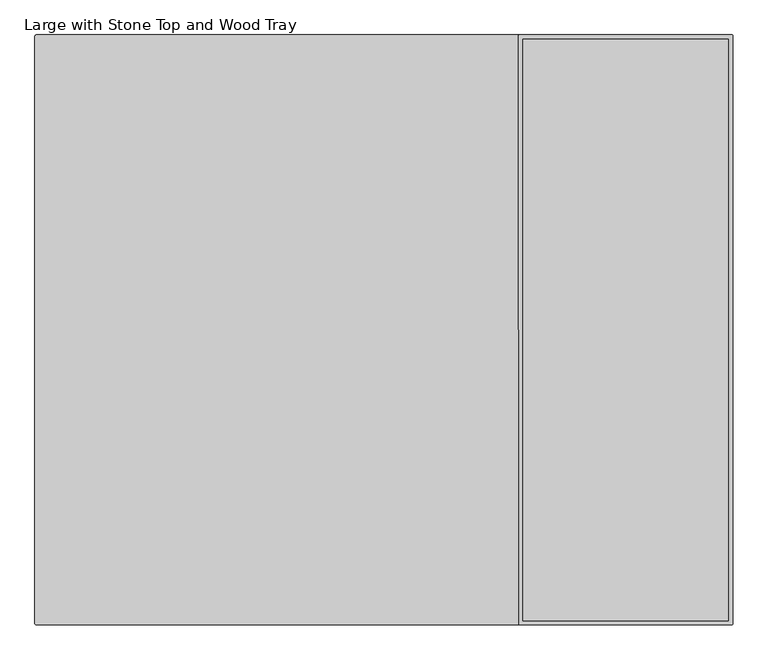
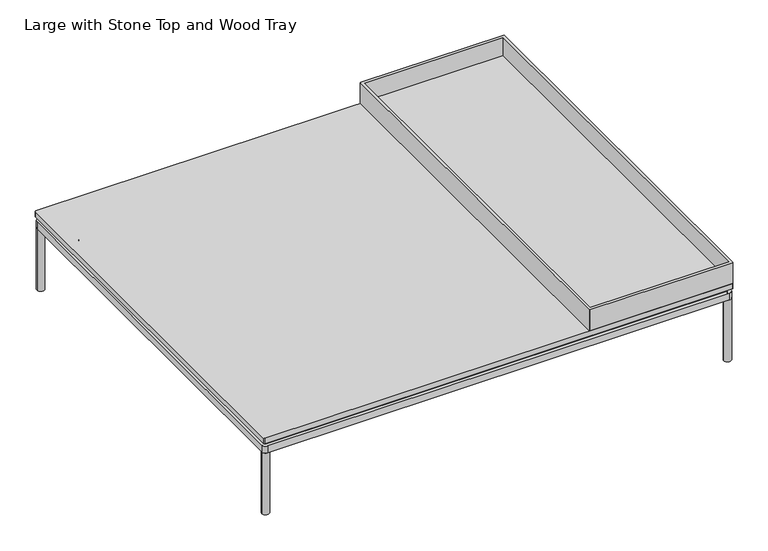
"""IFC4 building model written with IfcOpenShell, lengths in millimetres: furniture geometry, Large with Stone Top and Wood Tray."""

import ifcopenshell
import ifcopenshell.guid

model = None  # the IFC model being written
_history = None  # IfcOwnerHistory: only IFC2X3 demands one
_inside = {}  # id of a spatial element -> (the spatial element, [elements in it])
_under = {}  # id of a project, library or spatial element -> (it, [spatial elements below it])
_declared = {}  # id of a project -> (the project, [libraries it declares])
_typed = {}  # id of a type object -> (the type object, [elements of that type])
_made_of = {}  # id of a material, layer set ... -> (it, [elements and type objects made of it])


def new_model(schema):
    """Start an empty IFC model of exactly this schema.

    Asked for "IFC4X3", IfcOpenShell would pick the latest addendum, in which some entities
    have other attributes; the version numbers below select the first issue.
    IFC2X3 requires an IfcOwnerHistory on every rooted entity: one is made here for all.
    """
    global model, _history
    if schema == "IFC4X3":
        model = ifcopenshell.file(schema_version=(4, 3, 0, 0))
    else:
        model = ifcopenshell.file(schema=schema)
    _inside.clear()
    _under.clear()
    _declared.clear()
    _typed.clear()
    _made_of.clear()
    _history = None
    if model.schema == "IFC2X3":
        org = make("IfcOrganization", Name="unknown")
        user = make(
            "IfcPersonAndOrganization",
            ThePerson=make("IfcPerson", FamilyName="unknown"),
            TheOrganization=org,
        )
        app = make(
            "IfcApplication",
            ApplicationDeveloper=org,
            Version="unknown",
            ApplicationFullName="unknown",
            ApplicationIdentifier="unknown",
        )
        _history = make(
            "IfcOwnerHistory",
            OwningUser=user,
            OwningApplication=app,
            ChangeAction="ADDED",
            CreationDate=0,
        )
    return model


def make(cls, **values):
    """One entity of the class cls with the attributes given. An attribute that is None is left unset."""
    return model.create_entity(
        cls, **{name: value for name, value in values.items() if value is not None}
    )


def rooted(cls, **values):
    """An entity with a GlobalId (a new one), such as an element, a storey or a relation."""
    return make(cls, GlobalId=ifcopenshell.guid.new(), OwnerHistory=_history, **values)


def si_unit(unit_type, name, prefix=None):
    """IfcSIUnit, for example si_unit("LENGTHUNIT", "METRE", prefix="MILLI")."""
    return make("IfcSIUnit", UnitType=unit_type, Prefix=prefix, Name=name)


def assignment(units):
    """IfcUnitAssignment: the units of a project."""
    return None if units is None else make("IfcUnitAssignment", Units=units)


def point(xyz):
    """IfcCartesianPoint."""
    return None if xyz is None else make("IfcCartesianPoint", Coordinates=xyz)


def direction(xyz):
    """IfcDirection."""
    return None if xyz is None else make("IfcDirection", DirectionRatios=xyz)


def frame(location, z_axis=None, x_axis=None):
    """IfcAxis2Placement3D, a coordinate frame: its origin and axes. An axis left out is left unset."""
    return make(
        "IfcAxis2Placement3D",
        Location=point(location),
        Axis=direction(z_axis),
        RefDirection=direction(x_axis),
    )


def frame_2d(location, x_axis=None):
    """IfcAxis2Placement2D, a coordinate frame in the plane: its origin and x axis."""
    return make(
        "IfcAxis2Placement2D", Location=point(location), RefDirection=direction(x_axis)
    )


def origin():
    """The frame at (0, 0, 0) with its axes left unset."""
    return frame((0.0, 0.0, 0.0))


def origin_with_axes():
    """The frame at (0, 0, 0) with the z axis (0, 0, 1) and the x axis (1, 0, 0) written out."""
    return frame((0.0, 0.0, 0.0), z_axis=(0.0, 0.0, 1.0), x_axis=(1.0, 0.0, 0.0))


def place(relative_to, where):
    """IfcLocalPlacement: puts the frame where relative to a parent placement (None: the world)."""
    return make(
        "IfcLocalPlacement", PlacementRelTo=relative_to, RelativePlacement=where
    )


def context(
    kind, dimensions, precision=None, world=None, true_north=None, identifier=None
):
    """IfcGeometricRepresentationContext, for example the 3D "Model" context."""
    return make(
        "IfcGeometricRepresentationContext",
        ContextIdentifier=identifier,
        ContextType=kind,
        CoordinateSpaceDimension=dimensions,
        Precision=precision,
        WorldCoordinateSystem=world,
        TrueNorth=true_north,
    )


def project(units=None, contexts=None):
    """IfcProject with its units and contexts."""
    return rooted(
        "IfcProject",
        Name="project",
        RepresentationContexts=contexts,
        UnitsInContext=assignment(units),
    )


def spatial(cls, under=None, at=None, **own):
    """A site, building, storey or space (cls), placed at a placement, below another one or the project."""
    s = rooted(cls, ObjectPlacement=at, **own)
    if under is not None:
        _under.setdefault(under.id(), (under, []))[1].append(s)
    return s


def polyline(points):
    """IfcPolyline through the points."""
    return make("IfcPolyline", Points=[point(p) for p in points])


def circle_curve(where, radius):
    """IfcCircle in the frame where."""
    return make("IfcCircle", Position=where, Radius=radius)


def trimmed(basis, trim1, trim2, sense, master):
    """IfcTrimmedCurve: the piece of a basis curve between two trims."""
    return make(
        "IfcTrimmedCurve",
        BasisCurve=basis,
        Trim1=trim1,
        Trim2=trim2,
        SenseAgreement=sense,
        MasterRepresentation=master,
    )


def segment(curve, same_sense, transition):
    """IfcCompositeCurveSegment."""
    return make(
        "IfcCompositeCurveSegment",
        Transition=transition,
        SameSense=same_sense,
        ParentCurve=curve,
    )


def composite_curve(segments, self_intersect=None):
    """IfcCompositeCurve: segments joined end to end."""
    return make("IfcCompositeCurve", Segments=segments, SelfIntersect=self_intersect)


def outline(outer, holes=None, kind="AREA"):
    """IfcArbitraryClosedProfileDef: a profile drawn as a closed curve; with holes, ...WithVoids."""
    if holes is None:
        return make("IfcArbitraryClosedProfileDef", ProfileType=kind, OuterCurve=outer)
    return make(
        "IfcArbitraryProfileDefWithVoids",
        ProfileType=kind,
        OuterCurve=outer,
        InnerCurves=holes,
    )


def extrude(swept, where, along, depth):
    """IfcExtrudedAreaSolid: the profile swept, set in the frame where, extruded along a direction by depth."""
    return make(
        "IfcExtrudedAreaSolid",
        SweptArea=swept,
        Position=where,
        ExtrudedDirection=direction(along),
        Depth=depth,
    )


def faces_of(points, faces, orient=None, outer=None):
    """IfcFace entities. A face is a list of loops; a loop is a list of indices into points, from 0.

    orient and outer hold one flag for each loop. By default every Orientation is true, the
    first loop of a face is its IfcFaceOuterBound and the others are IfcFaceBound.
    """
    made = []
    for i, loops in enumerate(faces):
        bounds = []
        for j, loop in enumerate(loops):
            is_outer = j == 0 if outer is None else outer[i][j]
            bounds.append(
                make(
                    "IfcFaceOuterBound" if is_outer else "IfcFaceBound",
                    Bound=make("IfcPolyLoop", Polygon=[points[k] for k in loop]),
                    Orientation=True if orient is None else orient[i][j],
                )
            )
        made.append(make("IfcFace", Bounds=bounds))
    return made


def faceted_brep(points, faces, orient=None, outer=None, voids=None):
    """IfcFacetedBrep: a solid bounded by flat faces; with voids (closed shells), ...WithVoids."""
    shared = [point(p) for p in points]
    hull = make("IfcClosedShell", CfsFaces=faces_of(shared, faces, orient, outer))
    if voids is None:
        return make("IfcFacetedBrep", Outer=hull)
    return make(
        "IfcFacetedBrepWithVoids",
        Outer=hull,
        Voids=[
            make(cls, CfsFaces=faces_of(shared, fs, o, b)) for cls, fs, o, b in voids
        ],
    )


def shape(context_of_items, identifier, shape_type, items):
    """IfcShapeRepresentation: the items that make up one representation, for example the "Body"."""
    return make(
        "IfcShapeRepresentation",
        ContextOfItems=context_of_items,
        RepresentationIdentifier=identifier,
        RepresentationType=shape_type,
        Items=items,
    )


def source(mapping_origin, context_of_items, identifier, shape_type, items):
    """IfcRepresentationMap: a shape defined once, which mapped items show again and again."""
    return make(
        "IfcRepresentationMap",
        MappingOrigin=mapping_origin,
        MappedRepresentation=shape(context_of_items, identifier, shape_type, items),
    )


def transform(
    local_origin,
    x_axis=None,
    y_axis=None,
    z_axis=None,
    scale=None,
    scale2=None,
    scale3=None,
    uniform=True,
):
    """IfcCartesianTransformationOperator3D, or its non-uniform kind. x_axis, y_axis, z_axis: its Axis1, 2, 3."""
    if uniform:
        return make(
            "IfcCartesianTransformationOperator3D",
            Axis1=direction(x_axis),
            Axis2=direction(y_axis),
            LocalOrigin=point(local_origin),
            Scale=scale,
            Axis3=direction(z_axis),
        )
    return make(
        "IfcCartesianTransformationOperator3DnonUniform",
        Axis1=direction(x_axis),
        Axis2=direction(y_axis),
        LocalOrigin=point(local_origin),
        Scale=scale,
        Axis3=direction(z_axis),
        Scale2=scale2,
        Scale3=scale3,
    )


def mapped(mapping_source, mapping_target):
    """IfcMappedItem: shows the shape of a source again, moved by a transform."""
    return make(
        "IfcMappedItem", MappingSource=mapping_source, MappingTarget=mapping_target
    )


def made_of(thing, what):
    """Note that an element or type object is made of a material, layer set ...; save() writes the relation."""
    if what is not None:
        _made_of.setdefault(what.id(), (what, []))[1].append(thing)
    return thing


def element(
    cls,
    number,
    at=None,
    inside=None,
    cuts=None,
    type_object=None,
    material=None,
    context=None,
    identifier="Body",
    shape_type=None,
    held_by="IfcProductDefinitionShape",
    body=None,
    shapes=None,
    **own,
):
    """One element of the class cls, such as IfcWall. Its Tag is "e" and its number.

    at: its placement. inside: the storey or other place that contains it. cuts: it is an
    opening in that element (IfcRelVoidsElement). A single representation is given by context,
    identifier, shape_type and body (its items); several are given by shapes. held_by: the class
    of the entity that holds the representations. save() writes the other relations.
    """
    e = rooted(cls, Tag="e%d" % number, ObjectPlacement=at, **own)
    if body is not None:
        shapes = [shape(context, identifier, shape_type, body)]
    if shapes is not None:
        e.Representation = make(held_by, Representations=shapes)
    if inside is not None:
        _inside.setdefault(inside.id(), (inside, []))[1].append(e)
    if cuts is not None:
        rooted(
            "IfcRelVoidsElement", RelatingBuildingElement=cuts, RelatedOpeningElement=e
        )
    if type_object is not None:
        _typed.setdefault(type_object.id(), (type_object, []))[1].append(e)
    return made_of(e, material)


def aggregate(whole, parts):
    """IfcRelAggregates: a whole, such as a stair, and the parts it consists of."""
    return rooted("IfcRelAggregates", RelatingObject=whole, RelatedObjects=parts)


def save(model, path):
    """Write the relations noted so far, then the file.

    IfcRelAggregates (storeys below a building ...), IfcRelContainedInSpatialStructure (elements
    in a storey), IfcRelDefinesByType, IfcRelAssociatesMaterial and IfcRelDeclares: one each for
    every whole, place, type object, material and project.
    """
    for whole, parts in _under.values():
        aggregate(whole, parts)
    for where, things in _inside.values():
        rooted(
            "IfcRelContainedInSpatialStructure",
            RelatedElements=things,
            RelatingStructure=where,
        )
    for kind, things in _typed.values():
        rooted("IfcRelDefinesByType", RelatedObjects=things, RelatingType=kind)
    for what, things in _made_of.values():
        rooted("IfcRelAssociatesMaterial", RelatedObjects=things, RelatingMaterial=what)
    for by, libraries in _declared.values():
        rooted("IfcRelDeclares", RelatingContext=by, RelatedDefinitions=libraries)
    model.write(path)


def plane_surface(at):
    """IfcPlane: the flat surface through the origin of the frame at, square to its z axis."""
    return make("IfcPlane", Position=at)


def cylinder_surface(at, radius):
    """IfcCylindricalSurface: all points at the distance radius from the z axis of the frame at."""
    return make("IfcCylindricalSurface", Position=at, Radius=radius)


def advanced_brep(points, edges, surfaces, faces):
    """IfcAdvancedBrep: a solid bounded by faces that lie on surfaces and meet in shared edges.

    An edge is (start, end): straight between two places in points (the first is 0);
    or (start, end, curve); or (start, end, curve, False) where it runs against its curve.
    A face is (place in surfaces, loops), or (place, loops, False) where it looks against
    its surface's normal. A loop lists edges by number (the first is 1), with a minus sign
    where the edge is run from its end to its start. The first loop is the outer one.
    """
    corners = [point(p) for p in points]
    vertices = [make("IfcVertexPoint", VertexGeometry=c) for c in corners]
    made = []
    for start, end, *more in edges:
        made.append(
            make(
                "IfcEdgeCurve",
                EdgeStart=vertices[start],
                EdgeEnd=vertices[end],
                EdgeGeometry=more[0] if more else make("IfcPolyline", Points=[corners[start], corners[end]]),
                SameSense=more[1] if len(more) > 1 else True,
            )
        )
    hull = []
    for where, loops, *sense in faces:
        bounds = []
        for j, loop in enumerate(loops):
            ring = [make("IfcOrientedEdge", EdgeElement=made[abs(k) - 1], Orientation=k > 0) for k in loop]
            bounds.append(
                make(
                    "IfcFaceOuterBound" if j == 0 else "IfcFaceBound",
                    Bound=make("IfcEdgeLoop", EdgeList=ring),
                    Orientation=True,
                )
            )
        hull.append(make("IfcAdvancedFace", Bounds=bounds, FaceSurface=surfaces[where], SameSense=sense[0] if sense else True))
    return make("IfcAdvancedBrep", Outer=make("IfcClosedShell", CfsFaces=hull))


def large_with_stone_top_and_wood_tray_ebb3eda0(model_context):
    return source(origin(), model_context, "Body", "SolidModel", [
        faceted_brep([(104.0106049, 249.8139401, 233.8030617), (104.0106049, -834.0139401, 233.8030617), (486.7988188, -834.0139401, 233.8030617), (486.7988188, 249.8139401, 233.8030617), (96.0147118, -841.0104971, 225.806), (96.0147118, 256.8104971, 225.806), (97.014215, 256.8104971, 225.806), (97.014215, 257.81, 225.806), (493.7952091, 257.81, 225.806), (493.7952091, 256.8104971, 225.806), (494.7947118, 256.8104971, 225.806), (494.7947118, -841.0104971, 225.806), (493.7952091, -841.0104971, 225.806), (493.7952091, -842.01, 225.806), (97.014215, -842.01, 225.806), (97.014215, -841.0104971, 225.806), (493.7952091, -842.01, 286.7670178), (493.7952091, -841.0104971, 286.7670178), (494.7947118, -841.0104971, 286.7670178), (494.7947118, 256.8104971, 286.7670178), (493.7952091, 256.8104971, 286.7670178), (493.7952091, 257.81, 286.7670178), (97.014215, 257.81, 286.7670178), (97.014215, 256.8104971, 286.7670178), (96.014582, 256.8104971, 286.7670178), (96.0147121, -841.0104971, 286.7670178), (97.014215, -841.0104971, 286.7670178), (97.014215, -842.01, 286.7670178), (104.0106049, -834.0139401, 286.7670178), (104.0106049, 249.8139401, 286.7670178), (486.7988188, 249.8139401, 286.7670178), (486.7988188, -834.0139401, 286.7670178)], [[[0, 1, 2, 3]], [[4, 5, 6, 7, 8, 9, 10, 11, 12, 13, 14, 15]], [[16, 17, 18, 19, 20, 21, 22, 23, 24, 25, 26, 27], [28, 29, 30, 31]], [[29, 28, 1, 0]], [[30, 29, 0, 3]], [[31, 30, 3, 2]], [[28, 31, 2, 1]], [[4, 15, 26, 25]], [[26, 15, 14, 27]], [[27, 14, 13, 16]], [[16, 13, 12, 17]], [[17, 12, 11, 18]], [[18, 11, 10, 19]], [[19, 10, 9, 20]], [[20, 9, 8, 21]], [[21, 8, 7, 22]], [[22, 7, 6, 23]], [[23, 6, 5, 24]], [[24, 5, 4, 25]]]),
        extrude(outline(composite_curve([segment(trimmed(circle_curve(frame_2d((492.2547118, 255.27)), 2.54), [point((492.2547118, 257.81))], [point((494.7947118, 255.27))], False, "CARTESIAN"), True, "CONTINUOUS"), segment(polyline([(494.7947118, 255.27), (494.7947118, -839.47)]), True, "CONTINUOUS"), segment(trimmed(circle_curve(frame_2d((492.2547118, -839.47)), 2.54), [point((494.7947118, -839.47))], [point((492.2547118, -842.01))], False, "CARTESIAN"), True, "CONTINUOUS"), segment(polyline([(492.2547118, -842.01), (-803.1452882, -842.01)]), True, "CONTINUOUS"), segment(trimmed(circle_curve(frame_2d((-803.1452882, -839.47)), 2.54), [point((-803.1452882, -842.01))], [point((-805.6852882, -839.47))], False, "CARTESIAN"), True, "CONTINUOUS"), segment(polyline([(-805.6852882, -839.47), (-805.6852882, 255.27)]), True, "CONTINUOUS"), segment(trimmed(circle_curve(frame_2d((-803.1452882, 255.27)), 2.54), [point((-805.6852882, 255.27))], [point((-803.1452882, 257.81))], False, "CARTESIAN"), True, "CONTINUOUS"), segment(polyline([(-803.1452882, 257.81), (492.2547118, 257.81)]), True, "CONTINUOUS")], self_intersect=False)), frame((0.0, 0.0, 210.5656929), z_axis=(0.0, 0.0, 1.0), x_axis=(1.0, 0.0, 0.0)), (0.0, 0.0, 1.0), 15.2403071),
        extrude(outline(composite_curve([segment(trimmed(circle_curve(frame_2d((-793.7438099, 245.8600121)), 1.9413078), [point((-795.6851177, 245.8600121))], [point((-793.7438099, 247.8013198))], False, "CARTESIAN"), True, "CONTINUOUS"), segment(polyline([(-793.7438099, 247.8013198), (482.7909315, 247.8013198)]), True, "CONTINUOUS"), segment(trimmed(circle_curve(frame_2d((482.7909315, 245.7941911)), 2.0071288), [point((482.7909315, 247.8013198))], [point((484.7980603, 245.7941911))], False, "CARTESIAN"), True, "CONTINUOUS"), segment(polyline([(484.7980603, 245.7941911), (484.7980603, -830.0202885)]), True, "CONTINUOUS"), segment(trimmed(circle_curve(frame_2d((482.7963356, -830.0202885)), 2.0017246), [point((484.7980603, -830.0202885))], [point((482.7963356, -832.0220131))], False, "CARTESIAN"), True, "CONTINUOUS"), segment(polyline([(482.7963356, -832.0220131), (-793.6865391, -832.0220131)]), True, "CONTINUOUS"), segment(trimmed(circle_curve(frame_2d((-793.6865391, -830.0234345)), 1.9985786), [point((-793.6865391, -832.0220131))], [point((-795.6851177, -830.0234345))], False, "CARTESIAN"), True, "CONTINUOUS"), segment(polyline([(-795.6851177, -830.0234345), (-795.6851177, 245.8600121)]), True, "CONTINUOUS")], self_intersect=False)), frame((0.0, 0.0, 200.6639327), z_axis=(0.0, 0.0, 1.0), x_axis=(1.0, 0.0, 0.0)), (0.0, 0.0, 1.0), 8.6983971),
        extrude(outline(composite_curve([segment(trimmed(circle_curve(frame_2d((-734.5485908, -768.4918899)), 0.8405923), [point((-734.1762907, -769.2455397))], [point((-735.2478371, -768.9584197))], False, "CARTESIAN"), True, "CONTINUOUS"), segment(trimmed(circle_curve(frame_2d((-716.0123929, -752.9681431)), 25.0138214), [point((-735.2478371, -768.9584197))], [point((-739.4781008, -761.6313881))], False, "CARTESIAN"), True, "CONTINUOUS"), segment(trimmed(circle_curve(frame_2d((-738.5030497, -761.3200964)), 1.0235365), [point((-739.4781008, -761.6313881))], [point((-739.0770727, -760.472674))], False, "CARTESIAN"), True, "CONTINUOUS"), segment(trimmed(circle_curve(frame_2d((-759.3974109, -730.4740319)), 36.2330605), [point((-739.0770727, -760.472674))], [point((-723.2576556, -733.07264))], True, "CARTESIAN"), True, "CONTINUOUS"), segment(trimmed(circle_curve(frame_2d((-722.2381008, -733.1459505)), 1.0221871), [point((-723.2576556, -733.07264))], [point((-722.4469831, -732.1453333))], False, "CARTESIAN"), True, "CONTINUOUS"), segment(trimmed(circle_curve(frame_2d((-718.2244211, -752.3728401)), 20.6635442), [point((-722.4469831, -732.1453333))], [point((-714.0018591, -732.1453333))], False, "CARTESIAN"), True, "CONTINUOUS"), segment(trimmed(circle_curve(frame_2d((-714.2108273, -733.1463624)), 1.0226079), [point((-714.0018591, -732.1453333))], [point((-713.1908621, -733.072893))], False, "CARTESIAN"), True, "CONTINUOUS"), segment(trimmed(circle_curve(frame_2d((-677.8017646, -730.9076737)), 35.4552732), [point((-713.1908621, -733.072893))], [point((-697.3714482, -760.4729215))], True, "CARTESIAN"), True, "CONTINUOUS"), segment(trimmed(circle_curve(frame_2d((-697.8841782, -761.2984642)), 0.971809), [point((-697.3714482, -760.4729215))], [point((-696.9743802, -761.6400494))], False, "CARTESIAN"), True, "CONTINUOUS"), segment(trimmed(circle_curve(frame_2d((-721.1201172, -752.5744916)), 25.79149), [point((-696.9743802, -761.6400494))], [point((-701.1962454, -768.9525343))], False, "CARTESIAN"), True, "CONTINUOUS"), segment(trimmed(circle_curve(frame_2d((-701.9409291, -768.3403811)), 0.9639946), [point((-701.1962454, -768.9525343))], [point((-702.2725515, -769.2455397))], False, "CARTESIAN"), True, "CONTINUOUS"), segment(trimmed(circle_curve(frame_2d((-718.2244211, -801.5370245)), 36.0166924), [point((-702.2725515, -769.2455397))], [point((-734.1762907, -769.2455397))], True, "CARTESIAN"), True, "CONTINUOUS")], self_intersect=False)), frame((0.0, 0.0, 165.7894444), z_axis=(0.0, 0.0, 1.0), x_axis=(1.0, 0.0, 0.0)), (0.0, 0.0, 1.0), 9.7910462),
        extrude(outline(composite_curve([segment(trimmed(circle_curve(frame_2d((-718.2242758, -754.2455832)), 3.9922173), [point((-714.2320585, -754.2455832))], [point((-722.216493, -754.2455832))], False, "CARTESIAN"), True, "CONTINUOUS"), segment(trimmed(circle_curve(frame_2d((-718.2242758, -754.2455832)), 3.9922173), [point((-722.216493, -754.2455832))], [point((-714.2320585, -754.2455832))], False, "CARTESIAN"), True, "CONTINUOUS")], self_intersect=False)), frame((0.0, 0.0, 170.7645404), z_axis=(0.0, 0.0, 1.0), x_axis=(1.0, 0.0, 0.0)), (0.0, 0.0, 1.0), 38.5901772),
        extrude(outline(composite_curve([segment(trimmed(circle_curve(frame_2d((-718.2242758, -754.2455832)), 9.4525726), [point((-708.7717031, -754.2455832))], [point((-727.6768484, -754.2455832))], False, "CARTESIAN"), True, "CONTINUOUS"), segment(trimmed(circle_curve(frame_2d((-718.2242758, -754.2455832)), 9.4525726), [point((-727.6768484, -754.2455832))], [point((-708.7717031, -754.2455832))], False, "CARTESIAN"), True, "CONTINUOUS")], self_intersect=False)), frame((0.0, 0.0, 200.6639145), z_axis=(0.0, 0.0, 1.0), x_axis=(1.0, 0.0, 0.0)), (0.0, 0.0, 1.0), 5.0787766),
        extrude(outline(composite_curve([segment(trimmed(circle_curve(frame_2d((-718.2242758, -754.2455832)), 9.4525726), [point((-708.7717031, -754.2455832))], [point((-727.6768484, -754.2455832))], False, "CARTESIAN"), True, "CONTINUOUS"), segment(trimmed(circle_curve(frame_2d((-718.2242758, -754.2455832)), 9.4525726), [point((-727.6768484, -754.2455832))], [point((-708.7717031, -754.2455832))], False, "CARTESIAN"), True, "CONTINUOUS")], self_intersect=False)), frame((0.0, 0.0, 175.5804905), z_axis=(0.0, 0.0, 1.0), x_axis=(1.0, 0.0, 0.0)), (0.0, 0.0, 1.0), 5.0787766),
        extrude(outline(composite_curve([segment(trimmed(circle_curve(frame_2d((396.8166573, -801.5370245)), 36.0166924), [point((412.7685269, -769.2455397))], [point((380.8647877, -769.2455397))], True, "CARTESIAN"), True, "CONTINUOUS"), segment(trimmed(circle_curve(frame_2d((380.5331653, -768.3403811)), 0.9639946), [point((380.8647877, -769.2455397))], [point((379.7884816, -768.9525343))], False, "CARTESIAN"), True, "CONTINUOUS"), segment(trimmed(circle_curve(frame_2d((399.7123534, -752.5744916)), 25.79149), [point((379.7884816, -768.9525343))], [point((375.5666164, -761.6400494))], False, "CARTESIAN"), True, "CONTINUOUS"), segment(trimmed(circle_curve(frame_2d((376.4764144, -761.2984642)), 0.971809), [point((375.5666164, -761.6400494))], [point((375.9636844, -760.4729215))], False, "CARTESIAN"), True, "CONTINUOUS"), segment(trimmed(circle_curve(frame_2d((356.3940008, -730.9076737)), 35.4552732), [point((375.9636844, -760.4729215))], [point((391.7830983, -733.072893))], True, "CARTESIAN"), True, "CONTINUOUS"), segment(trimmed(circle_curve(frame_2d((392.8030635, -733.1463624)), 1.0226079), [point((391.7830983, -733.072893))], [point((392.5940953, -732.1453333))], False, "CARTESIAN"), True, "CONTINUOUS"), segment(trimmed(circle_curve(frame_2d((396.8166573, -752.3728401)), 20.6635442), [point((392.5940953, -732.1453333))], [point((401.0392193, -732.1453333))], False, "CARTESIAN"), True, "CONTINUOUS"), segment(trimmed(circle_curve(frame_2d((400.830337, -733.1459505)), 1.0221871), [point((401.0392193, -732.1453333))], [point((401.8498918, -733.07264))], False, "CARTESIAN"), True, "CONTINUOUS"), segment(trimmed(circle_curve(frame_2d((437.9896471, -730.4740319)), 36.2330605), [point((401.8498918, -733.07264))], [point((417.6693089, -760.472674))], True, "CARTESIAN"), True, "CONTINUOUS"), segment(trimmed(circle_curve(frame_2d((417.0952859, -761.3200964)), 1.0235365), [point((417.6693089, -760.472674))], [point((418.070337, -761.6313881))], False, "CARTESIAN"), True, "CONTINUOUS"), segment(trimmed(circle_curve(frame_2d((394.604629, -752.9681431)), 25.0138214), [point((418.070337, -761.6313881))], [point((413.8400733, -768.9584197))], False, "CARTESIAN"), True, "CONTINUOUS"), segment(trimmed(circle_curve(frame_2d((413.140827, -768.4918899)), 0.8405923), [point((413.8400733, -768.9584197))], [point((412.7685269, -769.2455397))], False, "CARTESIAN"), True, "CONTINUOUS")], self_intersect=False)), frame((0.0, 0.0, 165.7894444), z_axis=(0.0, 0.0, 1.0), x_axis=(1.0, 0.0, 0.0)), (0.0, 0.0, 1.0), 9.7910462),
        extrude(outline(composite_curve([segment(trimmed(circle_curve(frame_2d((396.816512, -754.2455832)), 3.9922173), [point((392.8242947, -754.2455832))], [point((400.8087292, -754.2455832))], False, "CARTESIAN"), True, "CONTINUOUS"), segment(trimmed(circle_curve(frame_2d((396.816512, -754.2455832)), 3.9922173), [point((400.8087292, -754.2455832))], [point((392.8242947, -754.2455832))], False, "CARTESIAN"), True, "CONTINUOUS")], self_intersect=False)), frame((0.0, 0.0, 170.7645404), z_axis=(0.0, 0.0, 1.0), x_axis=(1.0, 0.0, 0.0)), (0.0, 0.0, 1.0), 38.5901772),
        extrude(outline(composite_curve([segment(trimmed(circle_curve(frame_2d((396.816512, -754.2455832)), 9.4525726), [point((387.3639393, -754.2455832))], [point((406.2690846, -754.2455832))], False, "CARTESIAN"), True, "CONTINUOUS"), segment(trimmed(circle_curve(frame_2d((396.816512, -754.2455832)), 9.4525726), [point((406.2690846, -754.2455832))], [point((387.3639393, -754.2455832))], False, "CARTESIAN"), True, "CONTINUOUS")], self_intersect=False)), frame((0.0, 0.0, 200.6639145), z_axis=(0.0, 0.0, 1.0), x_axis=(1.0, 0.0, 0.0)), (0.0, 0.0, 1.0), 5.0787766),
        extrude(outline(composite_curve([segment(trimmed(circle_curve(frame_2d((396.816512, -754.2455832)), 9.4525726), [point((387.3639393, -754.2455832))], [point((406.2690846, -754.2455832))], False, "CARTESIAN"), True, "CONTINUOUS"), segment(trimmed(circle_curve(frame_2d((396.816512, -754.2455832)), 9.4525726), [point((406.2690846, -754.2455832))], [point((387.3639393, -754.2455832))], False, "CARTESIAN"), True, "CONTINUOUS")], self_intersect=False)), frame((0.0, 0.0, 175.5804905), z_axis=(0.0, 0.0, 1.0), x_axis=(1.0, 0.0, 0.0)), (0.0, 0.0, 1.0), 5.0787766),
        extrude(outline(composite_curve([segment(trimmed(circle_curve(frame_2d((-734.5485908, 155.518788)), 0.8405923), [point((-734.1762907, 154.7651382))], [point((-735.2478371, 155.0522582))], False, "CARTESIAN"), True, "CONTINUOUS"), segment(trimmed(circle_curve(frame_2d((-716.0123929, 171.0425348)), 25.0138214), [point((-735.2478371, 155.0522582))], [point((-739.4781008, 162.3792898))], False, "CARTESIAN"), True, "CONTINUOUS"), segment(trimmed(circle_curve(frame_2d((-738.5030497, 162.6905815)), 1.0235365), [point((-739.4781008, 162.3792898))], [point((-739.0770727, 163.5380039))], False, "CARTESIAN"), True, "CONTINUOUS"), segment(trimmed(circle_curve(frame_2d((-759.3974109, 193.536646)), 36.2330605), [point((-739.0770727, 163.5380039))], [point((-723.2576556, 190.9380379))], True, "CARTESIAN"), True, "CONTINUOUS"), segment(trimmed(circle_curve(frame_2d((-722.2381008, 190.8647274)), 1.0221871), [point((-723.2576556, 190.9380379))], [point((-722.4469831, 191.8653446))], False, "CARTESIAN"), True, "CONTINUOUS"), segment(trimmed(circle_curve(frame_2d((-718.2244211, 171.6378378)), 20.6635442), [point((-722.4469831, 191.8653446))], [point((-714.0018591, 191.8653446))], False, "CARTESIAN"), True, "CONTINUOUS"), segment(trimmed(circle_curve(frame_2d((-714.2108273, 190.8643155)), 1.0226079), [point((-714.0018591, 191.8653446))], [point((-713.1908621, 190.9377849))], False, "CARTESIAN"), True, "CONTINUOUS"), segment(trimmed(circle_curve(frame_2d((-677.8017646, 193.1030042)), 35.4552732), [point((-713.1908621, 190.9377849))], [point((-697.3714482, 163.5377564))], True, "CARTESIAN"), True, "CONTINUOUS"), segment(trimmed(circle_curve(frame_2d((-697.8841782, 162.7122137)), 0.971809), [point((-697.3714482, 163.5377564))], [point((-696.9743802, 162.3706285))], False, "CARTESIAN"), True, "CONTINUOUS"), segment(trimmed(circle_curve(frame_2d((-721.1201172, 171.4361863)), 25.79149), [point((-696.9743802, 162.3706285))], [point((-701.1962454, 155.0581436))], False, "CARTESIAN"), True, "CONTINUOUS"), segment(trimmed(circle_curve(frame_2d((-701.9409291, 155.6702968)), 0.9639946), [point((-701.1962454, 155.0581436))], [point((-702.2725515, 154.7651382))], False, "CARTESIAN"), True, "CONTINUOUS"), segment(trimmed(circle_curve(frame_2d((-718.2244211, 122.4736534)), 36.0166924), [point((-702.2725515, 154.7651382))], [point((-734.1762907, 154.7651382))], True, "CARTESIAN"), True, "CONTINUOUS")], self_intersect=False)), frame((0.0, 0.0, 165.7894444), z_axis=(0.0, 0.0, 1.0), x_axis=(1.0, 0.0, 0.0)), (0.0, 0.0, 1.0), 9.7910462),
        extrude(outline(composite_curve([segment(trimmed(circle_curve(frame_2d((-718.2242758, 169.7650947)), 3.9922173), [point((-714.2320585, 169.7650947))], [point((-722.216493, 169.7650947))], False, "CARTESIAN"), True, "CONTINUOUS"), segment(trimmed(circle_curve(frame_2d((-718.2242758, 169.7650947)), 3.9922173), [point((-722.216493, 169.7650947))], [point((-714.2320585, 169.7650947))], False, "CARTESIAN"), True, "CONTINUOUS")], self_intersect=False)), frame((0.0, 0.0, 170.7645404), z_axis=(0.0, 0.0, 1.0), x_axis=(1.0, 0.0, 0.0)), (0.0, 0.0, 1.0), 38.5901772),
        extrude(outline(composite_curve([segment(trimmed(circle_curve(frame_2d((-718.2242758, 169.7650947)), 9.4525726), [point((-708.7717031, 169.7650947))], [point((-727.6768484, 169.7650947))], False, "CARTESIAN"), True, "CONTINUOUS"), segment(trimmed(circle_curve(frame_2d((-718.2242758, 169.7650947)), 9.4525726), [point((-727.6768484, 169.7650947))], [point((-708.7717031, 169.7650947))], False, "CARTESIAN"), True, "CONTINUOUS")], self_intersect=False)), frame((0.0, 0.0, 200.6639145), z_axis=(0.0, 0.0, 1.0), x_axis=(1.0, 0.0, 0.0)), (0.0, 0.0, 1.0), 5.0787766),
        extrude(outline(composite_curve([segment(trimmed(circle_curve(frame_2d((-718.2242758, 169.7650947)), 9.4525726), [point((-708.7717031, 169.7650947))], [point((-727.6768484, 169.7650947))], False, "CARTESIAN"), True, "CONTINUOUS"), segment(trimmed(circle_curve(frame_2d((-718.2242758, 169.7650947)), 9.4525726), [point((-727.6768484, 169.7650947))], [point((-708.7717031, 169.7650947))], False, "CARTESIAN"), True, "CONTINUOUS")], self_intersect=False)), frame((0.0, 0.0, 175.5804905), z_axis=(0.0, 0.0, 1.0), x_axis=(1.0, 0.0, 0.0)), (0.0, 0.0, 1.0), 5.0787766),
        advanced_brep(
        [(387.3639393, 169.7650947, 180.6592671), (406.2690846, 169.7650947, 180.6592671), (400.8087292, 169.7650947, 180.6592671), (392.8242947, 169.7650947, 180.6592671), (387.3639393, 169.7650947, 175.5804905), (406.2690846, 169.7650947, 175.5804905), (392.8242947, 169.7650947, 175.5804905), (400.8087292, 169.7650947, 175.5804905), (387.3639393, 169.7650947, 205.742691), (406.2690846, 169.7650947, 205.742691), (400.8087292, 169.7650947, 205.742691), (392.8242947, 169.7650947, 205.742691), (387.3639393, 169.7650947, 200.6639145), (406.2690846, 169.7650947, 200.6639145), (392.8242947, 169.7650947, 200.6639145), (400.8087292, 169.7650947, 200.6639145), (392.8242947, 169.7650947, 209.3547176), (400.8087292, 169.7650947, 209.3547176), (392.8242947, 169.7650947, 170.7645404), (400.8087292, 169.7650947, 170.7645404)],
        [
            (0, 1, circle_curve(frame((396.816512, 169.7650947, 180.6592671), z_axis=(0.0, 0.0, 1.0), x_axis=(1.0, 0.0, 0.0)), 9.4525726)),
            (1, 0, circle_curve(frame((396.816512, 169.7650947, 180.6592671), z_axis=(0.0, 0.0, 1.0), x_axis=(1.0, 0.0, 0.0)), 9.4525726)),
            (2, 3, circle_curve(frame((396.816512, 169.7650947, 180.6592671), z_axis=(0.0, 0.0, -1.0), x_axis=(1.0, 0.0, 0.0)), 3.9922173)),
            (3, 2, circle_curve(frame((396.816512, 169.7650947, 180.6592671), z_axis=(0.0, 0.0, -1.0), x_axis=(1.0, 0.0, 0.0)), 3.9922173)),
            (4, 5, circle_curve(frame((396.816512, 169.7650947, 175.5804905), z_axis=(0.0, 0.0, -1.0), x_axis=(1.0, 0.0, 0.0)), 9.4525726)),
            (5, 4, circle_curve(frame((396.816512, 169.7650947, 175.5804905), z_axis=(0.0, 0.0, -1.0), x_axis=(1.0, 0.0, 0.0)), 9.4525726)),
            (6, 7, circle_curve(frame((396.816512, 169.7650947, 175.5804905), z_axis=(0.0, 0.0, 1.0), x_axis=(1.0, 0.0, 0.0)), 3.9922173)),
            (7, 6, circle_curve(frame((396.816512, 169.7650947, 175.5804905), z_axis=(0.0, 0.0, 1.0), x_axis=(1.0, 0.0, 0.0)), 3.9922173)),
            (0, 4),
            (5, 1),
            (8, 9, circle_curve(frame((396.816512, 169.7650947, 205.742691), z_axis=(0.0, 0.0, 1.0), x_axis=(1.0, 0.0, 0.0)), 9.4525726)),
            (9, 8, circle_curve(frame((396.816512, 169.7650947, 205.742691), z_axis=(0.0, 0.0, 1.0), x_axis=(1.0, 0.0, 0.0)), 9.4525726)),
            (10, 11, circle_curve(frame((396.816512, 169.7650947, 205.742691), z_axis=(0.0, 0.0, -1.0), x_axis=(1.0, 0.0, 0.0)), 3.9922173)),
            (11, 10, circle_curve(frame((396.816512, 169.7650947, 205.742691), z_axis=(0.0, 0.0, -1.0), x_axis=(1.0, 0.0, 0.0)), 3.9922173)),
            (12, 13, circle_curve(frame((396.816512, 169.7650947, 200.6639145), z_axis=(0.0, 0.0, -1.0), x_axis=(1.0, 0.0, 0.0)), 9.4525726)),
            (13, 12, circle_curve(frame((396.816512, 169.7650947, 200.6639145), z_axis=(0.0, 0.0, -1.0), x_axis=(1.0, 0.0, 0.0)), 9.4525726)),
            (14, 15, circle_curve(frame((396.816512, 169.7650947, 200.6639145), z_axis=(0.0, 0.0, 1.0), x_axis=(1.0, 0.0, 0.0)), 3.9922173)),
            (15, 14, circle_curve(frame((396.816512, 169.7650947, 200.6639145), z_axis=(0.0, 0.0, 1.0), x_axis=(1.0, 0.0, 0.0)), 3.9922173)),
            (8, 12),
            (13, 9),
            (16, 17, circle_curve(frame((396.816512, 169.7650947, 209.3547176), z_axis=(0.0, 0.0, 1.0), x_axis=(1.0, 0.0, 0.0)), 3.9922173)),
            (17, 16, circle_curve(frame((396.816512, 169.7650947, 209.3547176), z_axis=(0.0, 0.0, 1.0), x_axis=(1.0, 0.0, 0.0)), 3.9922173)),
            (18, 19, circle_curve(frame((396.816512, 169.7650947, 170.7645404), z_axis=(0.0, 0.0, -1.0), x_axis=(1.0, 0.0, 0.0)), 3.9922173)),
            (19, 18, circle_curve(frame((396.816512, 169.7650947, 170.7645404), z_axis=(0.0, 0.0, -1.0), x_axis=(1.0, 0.0, 0.0)), 3.9922173)),
            (16, 11),
            (10, 17),
            (19, 7),
            (6, 18),
            (14, 3),
            (2, 15),
        ],
        [
            plane_surface(frame((406.2690846, 169.7650947, 180.6592671), z_axis=(0.0, 0.0, 1.0), x_axis=(0.0, 1.0, 0.0))),
            plane_surface(frame((406.2690846, 169.7650947, 175.5804905), z_axis=(0.0, 0.0, -1.0), x_axis=(0.0, -1.0, 0.0))),
            cylinder_surface(frame((396.816512, 169.7650947, 175.5804905), z_axis=(0.0, 0.0, 1.0), x_axis=(1.0, 0.0, 0.0)), 9.4525726),
            plane_surface(frame((406.2690846, 169.7650947, 205.742691), z_axis=(0.0, 0.0, 1.0), x_axis=(0.0, 1.0, 0.0))),
            plane_surface(frame((406.2690846, 169.7650947, 200.6639145), z_axis=(0.0, 0.0, -1.0), x_axis=(0.0, -1.0, 0.0))),
            cylinder_surface(frame((396.816512, 169.7650947, 200.6639145), z_axis=(0.0, 0.0, 1.0), x_axis=(1.0, 0.0, 0.0)), 9.4525726),
            plane_surface(frame((400.8087292, 169.7650947, 209.3547176), z_axis=(0.0, 0.0, 1.0), x_axis=(0.0, 1.0, 0.0))),
            plane_surface(frame((400.8087292, 169.7650947, 170.7645404), z_axis=(0.0, 0.0, -1.0), x_axis=(0.0, -1.0, 0.0))),
            cylinder_surface(frame((396.816512, 169.7650947, 170.7645404), z_axis=(0.0, 0.0, 1.0), x_axis=(1.0, 0.0, 0.0)), 3.9922173),
        ],
        [
            (0, [[1, 2], [3, 4]]),
            (1, [[5, 6], [7, 8]]),
            (2, [[-1, 9, -6, 10]]),
            (2, [[-2, -10, -5, -9]]),
            (3, [[11, 12], [13, 14]]),
            (4, [[15, 16], [17, 18]]),
            (5, [[-11, 19, -16, 20]]),
            (5, [[-12, -20, -15, -19]]),
            (6, [[21, 22]]),
            (7, [[23, 24]]),
            (8, [[-21, 25, -13, 26]]),
            (8, [[-24, 27, -7, 28]]),
            (8, [[29, -3, 30, -17]]),
            (8, [[-22, -26, -14, -25]]),
            (8, [[-23, -28, -8, -27]]),
            (8, [[-29, -18, -30, -4]]),
        ],
    ),
        extrude(outline(composite_curve([segment(trimmed(circle_curve(frame_2d((396.8166573, 122.4736534)), 36.0166924), [point((412.7685269, 154.7651382))], [point((380.8647877, 154.7651382))], True, "CARTESIAN"), True, "CONTINUOUS"), segment(trimmed(circle_curve(frame_2d((380.5331653, 155.6702968)), 0.9639946), [point((380.8647877, 154.7651382))], [point((379.7884816, 155.0581436))], False, "CARTESIAN"), True, "CONTINUOUS"), segment(trimmed(circle_curve(frame_2d((399.7123534, 171.4361863)), 25.79149), [point((379.7884816, 155.0581436))], [point((375.5666164, 162.3706285))], False, "CARTESIAN"), True, "CONTINUOUS"), segment(trimmed(circle_curve(frame_2d((376.4764144, 162.7122137)), 0.971809), [point((375.5666164, 162.3706285))], [point((375.9636844, 163.5377564))], False, "CARTESIAN"), True, "CONTINUOUS"), segment(trimmed(circle_curve(frame_2d((356.3940008, 193.1030042)), 35.4552732), [point((375.9636844, 163.5377564))], [point((391.7830983, 190.9377849))], True, "CARTESIAN"), True, "CONTINUOUS"), segment(trimmed(circle_curve(frame_2d((392.8030635, 190.8643155)), 1.0226079), [point((391.7830983, 190.9377849))], [point((392.5940953, 191.8653446))], False, "CARTESIAN"), True, "CONTINUOUS"), segment(trimmed(circle_curve(frame_2d((396.8166573, 171.6378378)), 20.6635442), [point((392.5940953, 191.8653446))], [point((401.0392193, 191.8653446))], False, "CARTESIAN"), True, "CONTINUOUS"), segment(trimmed(circle_curve(frame_2d((400.830337, 190.8647274)), 1.0221871), [point((401.0392193, 191.8653446))], [point((401.8498918, 190.9380379))], False, "CARTESIAN"), True, "CONTINUOUS"), segment(trimmed(circle_curve(frame_2d((437.9896471, 193.536646)), 36.2330605), [point((401.8498918, 190.9380379))], [point((417.6693089, 163.5380039))], True, "CARTESIAN"), True, "CONTINUOUS"), segment(trimmed(circle_curve(frame_2d((417.0952859, 162.6905815)), 1.0235365), [point((417.6693089, 163.5380039))], [point((418.070337, 162.3792898))], False, "CARTESIAN"), True, "CONTINUOUS"), segment(trimmed(circle_curve(frame_2d((394.604629, 171.0425348)), 25.0138214), [point((418.070337, 162.3792898))], [point((413.8400733, 155.0522582))], False, "CARTESIAN"), True, "CONTINUOUS"), segment(trimmed(circle_curve(frame_2d((413.140827, 155.518788)), 0.8405923), [point((413.8400733, 155.0522582))], [point((412.7685269, 154.7651382))], False, "CARTESIAN"), True, "CONTINUOUS")], self_intersect=False)), frame((0.0, 0.0, 165.7894444), z_axis=(0.0, 0.0, 1.0), x_axis=(1.0, 0.0, 0.0)), (0.0, 0.0, 1.0), 9.7910462),
        extrude(outline(polyline([(454.7958218, -738.9854681), (454.7958218, -769.2455397), (-765.6834606, -769.2455397), (-765.6834606, -738.9854681), (454.7958218, -738.9854681)])), frame((0.0, 0.0, 182.5080096), z_axis=(0.0, 0.0, 1.0), x_axis=(1.0, 0.0, 0.0)), (0.0, 0.0, 1.0), 18.1559049),
        extrude(outline(polyline([(454.7958218, -537.2533049), (454.7958218, -567.5133765), (-765.6834606, -567.5133765), (-765.6834606, -537.2533049), (454.7958218, -537.2533049)])), frame((0.0, 0.0, 182.5080096), z_axis=(0.0, 0.0, 1.0), x_axis=(1.0, 0.0, 0.0)), (0.0, 0.0, 1.0), 18.1559049),
        extrude(outline(polyline([(454.7958218, -335.4707087), (454.7958218, -365.7307803), (-765.6834606, -365.7307803), (-765.6834606, -335.4707087), (454.7958218, -335.4707087)])), frame((0.0, 0.0, 182.5080096), z_axis=(0.0, 0.0, 1.0), x_axis=(1.0, 0.0, 0.0)), (0.0, 0.0, 1.0), 18.1559049),
        extrude(outline(polyline([(454.7958218, 185.0252098), (454.7958218, 154.7651382), (-765.6834606, 154.7651382), (-765.6834606, 185.0252098), (454.7958218, 185.0252098)])), frame((0.0, 0.0, 182.5080096), z_axis=(0.0, 0.0, 1.0), x_axis=(1.0, 0.0, 0.0)), (0.0, 0.0, 1.0), 18.1559049),
        extrude(outline(polyline([(190.6386208, 160.3135818), (-774.9557372, 160.3137453), (-802.0272233, 176.9731213), (-802.0272233, 200.6601021), (-769.245576, 180.4867667), (185.0247737, 180.4866032), (217.8063484, 200.6598086), (217.8063484, 177.0397933), (190.6386208, 160.3135818)])), frame((-170.5782154, 0.0, 0.0), z_axis=(1.0, 0.0, 0.0), x_axis=(0.0, 1.0, 0.0)), (0.0, 0.0, 1.0), 30.2599248),
        extrude(outline(composite_curve([segment(trimmed(circle_curve(frame_2d((484.6347118, 247.65)), 10.16), [point((484.6347118, 257.81))], [point((494.7947118, 247.65))], False, "CARTESIAN"), True, "CONTINUOUS"), segment(polyline([(494.7947118, 247.65), (494.7947118, -831.85)]), True, "CONTINUOUS"), segment(trimmed(circle_curve(frame_2d((484.6347118, -831.85)), 10.16), [point((494.7947118, -831.85))], [point((484.6347118, -842.01))], False, "CARTESIAN"), True, "CONTINUOUS"), segment(polyline([(484.6347118, -842.01), (-795.5252882, -842.01)]), True, "CONTINUOUS"), segment(trimmed(circle_curve(frame_2d((-795.5252882, -831.85)), 10.16), [point((-795.5252882, -842.01))], [point((-805.6852882, -831.85))], False, "CARTESIAN"), True, "CONTINUOUS"), segment(polyline([(-805.6852882, -831.85), (-805.6852882, 247.65)]), True, "CONTINUOUS"), segment(trimmed(circle_curve(frame_2d((-795.5252882, 247.65)), 10.16), [point((-805.6852882, 247.65))], [point((-795.5252882, 257.81))], False, "CARTESIAN"), True, "CONTINUOUS"), segment(polyline([(-795.5252882, 257.81), (484.6347118, 257.81)]), True, "CONTINUOUS")], self_intersect=False), holes=[composite_curve([segment(polyline([(-793.6865391, -832.0220131), (482.7963356, -832.0220131)]), True, "CONTINUOUS"), segment(trimmed(circle_curve(frame_2d((482.7963356, -830.0202885)), 2.0017246), [point((482.7963356, -832.0220131))], [point((484.7980603, -830.0202885))], True, "CARTESIAN"), True, "CONTINUOUS"), segment(polyline([(484.7980603, -830.0202885), (484.7980603, 245.7941911)]), True, "CONTINUOUS"), segment(trimmed(circle_curve(frame_2d((482.7909315, 245.7941911)), 2.0071288), [point((484.7980603, 245.7941911))], [point((482.7909315, 247.8013198))], True, "CARTESIAN"), True, "CONTINUOUS"), segment(polyline([(482.7909315, 247.8013198), (-793.7438099, 247.8013198)]), True, "CONTINUOUS"), segment(trimmed(circle_curve(frame_2d((-793.7438099, 245.8600121)), 1.9413078), [point((-793.7438099, 247.8013198))], [point((-795.6851177, 245.8600121))], True, "CARTESIAN"), True, "CONTINUOUS"), segment(polyline([(-795.6851177, 245.8600121), (-795.6851177, -830.0234345)]), True, "CONTINUOUS"), segment(trimmed(circle_curve(frame_2d((-793.6865391, -830.0234345)), 1.9985786), [point((-795.6851177, -830.0234345))], [point((-793.6865391, -832.0220131))], True, "CARTESIAN"), True, "CONTINUOUS")], self_intersect=False)]), frame((0.0, 0.0, 180.8301142), z_axis=(0.0, 0.0, 1.0), x_axis=(1.0, 0.0, 0.0)), (0.0, 0.0, 1.0), 19.8338184),
        extrude(outline(composite_curve([segment(polyline([(482.8193838, -831.0234549), (-793.6852152, -831.0234549)]), True, "CONTINUOUS"), segment(trimmed(circle_curve(frame_2d((-793.6852152, -830.022038)), 1.0014169), [point((-793.6852152, -831.0234549))], [point((-794.6866321, -830.022038))], False, "CARTESIAN"), True, "CONTINUOUS"), segment(polyline([(-794.6866321, -830.022038), (-794.6866321, 245.7403667)]), True, "CONTINUOUS"), segment(trimmed(circle_curve(frame_2d((-793.6243099, 245.7403667)), 1.0623222), [point((-794.6866321, 245.7403667))], [point((-793.62431, 246.8026889))], False, "CARTESIAN"), True, "CONTINUOUS"), segment(polyline([(-793.62431, 246.8026889), (482.8079882, 246.8028345)]), True, "CONTINUOUS"), segment(trimmed(circle_curve(frame_2d((482.8079882, 245.811248)), 0.9915865), [point((482.8079882, 246.8028345))], [point((483.7995747, 245.811248))], False, "CARTESIAN"), True, "CONTINUOUS"), segment(polyline([(483.7995747, 245.811248), (483.7995747, -830.043264)]), True, "CONTINUOUS"), segment(trimmed(circle_curve(frame_2d((482.8193838, -830.043264)), 0.9801909), [point((483.7995747, -830.043264))], [point((482.8193838, -831.0234549))], False, "CARTESIAN"), True, "CONTINUOUS")], self_intersect=False), holes=[composite_curve([segment(polyline([(467.7876141, 232.8228736), (-778.6802636, 232.8228736)]), True, "CONTINUOUS"), segment(trimmed(circle_curve(frame_2d((-778.6802636, 230.7964657)), 2.0264079), [point((-778.6802636, 232.8228736))], [point((-780.7066715, 230.7964657))], True, "CARTESIAN"), True, "CONTINUOUS"), segment(polyline([(-780.7066715, 230.7964657), (-780.7066715, -814.9889467)]), True, "CONTINUOUS"), segment(trimmed(circle_curve(frame_2d((-778.6520513, -814.9889467)), 2.0546202), [point((-780.7066715, -814.9889467))], [point((-778.652051, -817.0435669))], True, "CARTESIAN"), True, "CONTINUOUS"), segment(polyline([(-778.652051, -817.0435669), (467.8179778, -817.0437486)]), True, "CONTINUOUS"), segment(trimmed(circle_curve(frame_2d((467.8179778, -815.0418214)), 2.0019272), [point((467.8179778, -817.0437486))], [point((469.819905, -815.0418208))], True, "CARTESIAN"), True, "CONTINUOUS"), segment(polyline([(469.819905, -815.0418208), (469.8196141, 230.7908742)]), True, "CONTINUOUS"), segment(trimmed(circle_curve(frame_2d((467.7876141, 230.7908736)), 2.032), [point((469.8196141, 230.7908742))], [point((467.7876141, 232.8228736))], True, "CARTESIAN"), True, "CONTINUOUS")], self_intersect=False)]), frame((0.0, 0.0, 180.8301142), z_axis=(0.0, 0.0, 1.0), x_axis=(1.0, 0.0, 0.0)), (0.0, 0.0, 1.0), 19.8338184),
        extrude(outline(composite_curve([segment(trimmed(circle_curve(frame_2d((467.7876141, 230.7908736)), 2.032), [point((467.7876141, 232.8228736))], [point((469.8196141, 230.7908742))], False, "CARTESIAN"), True, "CONTINUOUS"), segment(polyline([(469.8196141, 230.7908742), (469.8199045, -815.0418208)]), True, "CONTINUOUS"), segment(trimmed(circle_curve(frame_2d((467.8179772, -815.0418214)), 2.0019272), [point((469.8199045, -815.0418208))], [point((467.8179775, -817.0437486))], False, "CARTESIAN"), True, "CONTINUOUS"), segment(polyline([(467.8179775, -817.0437486), (-778.652051, -817.0435669)]), True, "CONTINUOUS"), segment(trimmed(circle_curve(frame_2d((-778.6520507, -814.9889461)), 2.0546208), [point((-778.652051, -817.0435669))], [point((-780.7066715, -814.9889461))], False, "CARTESIAN"), True, "CONTINUOUS"), segment(polyline([(-780.7066715, -814.9889461), (-780.7066715, 230.7964657)]), True, "CONTINUOUS"), segment(trimmed(circle_curve(frame_2d((-778.6802636, 230.7964657)), 2.0264079), [point((-780.7066715, 230.7964657))], [point((-778.6802636, 232.8228736))], False, "CARTESIAN"), True, "CONTINUOUS"), segment(polyline([(-778.6802636, 232.8228736), (467.7876141, 232.8228736)]), True, "CONTINUOUS")], self_intersect=False), holes=[polyline([(-765.6831699, -802.0272233), (454.7961125, -802.026969), (454.7958218, 217.8060577), (-765.6831699, 217.8063484), (-765.6831699, -802.0272233)])]), frame((0.0, 0.0, 180.8301142), z_axis=(0.0, 0.0, 1.0), x_axis=(1.0, 0.0, 0.0)), (0.0, 0.0, 1.0), 19.8336913),
        extrude(outline(composite_curve([segment(trimmed(circle_curve(frame_2d((484.7983509, -832.0220858)), 9.92796), [point((474.8703909, -832.0220858))], [point((494.726311, -832.0220858))], False, "CARTESIAN"), True, "CONTINUOUS"), segment(trimmed(circle_curve(frame_2d((484.7983509, -832.0220858)), 9.92796), [point((494.726311, -832.0220858))], [point((474.8703909, -832.0220858))], False, "CARTESIAN"), True, "CONTINUOUS")], self_intersect=False)), origin_with_axes(), (0.0, 0.0, 1.0), 180.8301142),
        extrude(outline(composite_curve([segment(trimmed(circle_curve(frame_2d((-795.6889272, -832.0220858)), 9.92796), [point((-805.6168873, -832.0220858))], [point((-785.7609672, -832.0220858))], False, "CARTESIAN"), True, "CONTINUOUS"), segment(trimmed(circle_curve(frame_2d((-795.6889272, -832.0220858)), 9.92796), [point((-785.7609672, -832.0220858))], [point((-805.6168873, -832.0220858))], False, "CARTESIAN"), True, "CONTINUOUS")], self_intersect=False)), origin_with_axes(), (0.0, 0.0, 1.0), 180.8301142),
        extrude(outline(composite_curve([segment(trimmed(circle_curve(frame_2d((484.7983509, 247.8220858)), 9.92796), [point((474.8703909, 247.8220858))], [point((494.726311, 247.8220858))], False, "CARTESIAN"), True, "CONTINUOUS"), segment(trimmed(circle_curve(frame_2d((484.7983509, 247.8220858)), 9.92796), [point((494.726311, 247.8220858))], [point((474.8703909, 247.8220858))], False, "CARTESIAN"), True, "CONTINUOUS")], self_intersect=False)), origin_with_axes(), (0.0, 0.0, 1.0), 180.8301142),
        extrude(outline(composite_curve([segment(trimmed(circle_curve(frame_2d((-795.6889272, 247.8220858)), 9.92796), [point((-805.6168873, 247.8220858))], [point((-785.7609672, 247.8220858))], False, "CARTESIAN"), True, "CONTINUOUS"), segment(trimmed(circle_curve(frame_2d((-795.6889272, 247.8220858)), 9.92796), [point((-785.7609672, 247.8220858))], [point((-805.6168873, 247.8220858))], False, "CARTESIAN"), True, "CONTINUOUS")], self_intersect=False)), origin_with_axes(), (0.0, 0.0, 1.0), 180.8301142),
    ])


if __name__ == "__main__":
    model = new_model("IFC4")
    model_context = context("Model", 3, world=origin())
    ifc_project = project(units=[si_unit("LENGTHUNIT", "METRE", prefix="MILLI")], contexts=[model_context])
    site = spatial("IfcSite", under=ifc_project)
    building = spatial("IfcBuilding", under=site)
    placement = place(None, origin())
    large_with_stone_top_and_wood_tray_shape = large_with_stone_top_and_wood_tray_ebb3eda0(model_context)
    element("IfcFurniture", 1, ObjectType="Large with Stone Top and Wood Tray", at=placement, inside=building, context=model_context, shape_type="MappedRepresentation", body=[
        mapped(large_with_stone_top_and_wood_tray_shape, transform((0.0, 0.0, 0.0), x_axis=(1.0, 0.0, 0.0), y_axis=(0.0, 1.0, 0.0), z_axis=(0.0, 0.0, 1.0))),
    ])
    save(model, "model.ifc")
